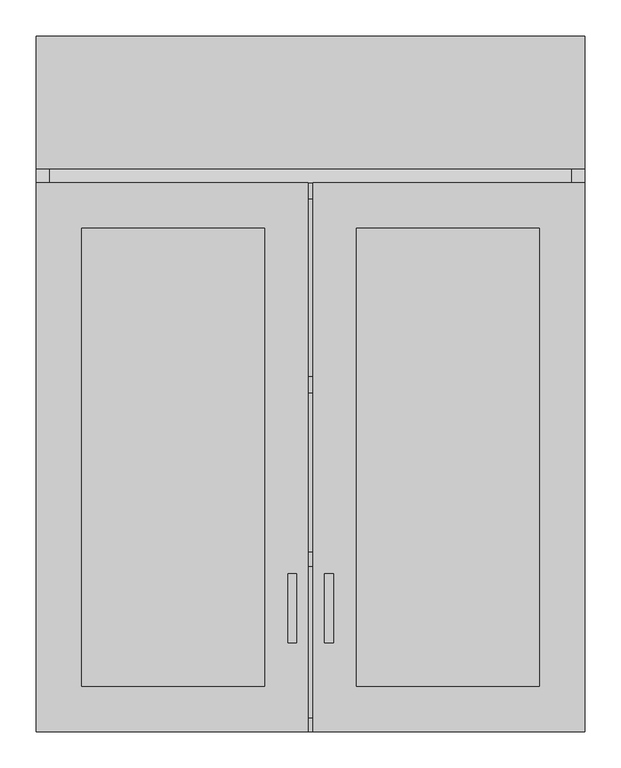
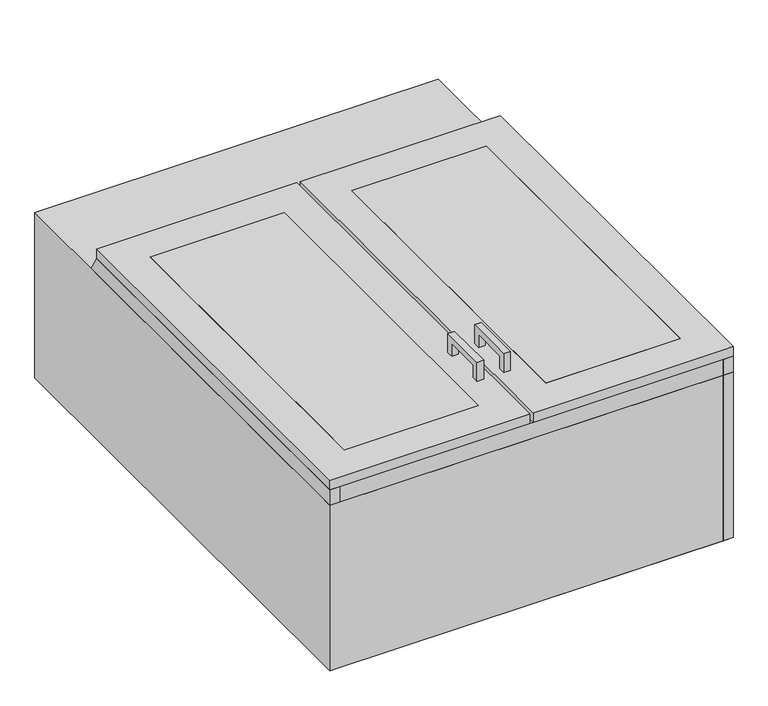
"""IFC4 building model written with IfcOpenShell, lengths in millimetres: proxy geometry."""

from ifc_helpers import new_model, si_unit, frame, origin, origin_with_axes, place, context, project, spatial, polyline, outline, extrude, source, transform, mapped, element, save


def specialty_equipment_0801251d(model_context):
    return source(origin(), model_context, "Body", "SweptSolid", [
        extrude(outline(polyline([(965.2, 19.05), (943.0563437, 19.05), (739.8563437, 361.95), (762.0, 361.95), (965.2, 19.05)])), frame((-361.95, 0.0, 0.0), z_axis=(1.0, 0.0, 0.0), x_axis=(0.0, 1.0, 0.0)), (0.0, 0.0, 1.0), 723.9),
        extrude(outline(polyline([(219.0655468, 419.0810937), (219.0655468, 381.0), (206.3958968, 381.0), (206.3958968, 406.4114436), (136.5230095, 406.4114436), (136.5230095, 381.0), (123.8533595, 381.0), (123.8533595, 419.0810937), (219.0655468, 419.0810937)])), frame((-31.4565288, 0.0, 0.0), z_axis=(1.0, 0.0, 0.0), x_axis=(0.0, 1.0, 0.0)), (0.0, 0.0, 1.0), 12.4023438),
        extrude(outline(polyline([(219.0655468, 419.0810937), (219.0655468, 381.0), (206.3958968, 381.0), (206.3958968, 406.4114436), (136.5230095, 406.4114436), (136.5230095, 381.0), (123.8533595, 381.0), (123.8533595, 419.0810937), (219.0655468, 419.0810937)])), frame((19.3476563, 0.0, 0.0), z_axis=(1.0, 0.0, 0.0), x_axis=(0.0, 1.0, 0.0)), (0.0, 0.0, 1.0), 12.4023438),
        extrude(outline(polyline([(381.0, 965.2), (381.0, 0.0), (-381.0, 0.0), (-381.0, 965.2), (381.0, 965.2)])), origin_with_axes(), (0.0, 0.0, 1.0), 330.2),
        extrude(outline(polyline([(317.5, 63.5), (63.5, 63.5), (63.5, 698.5), (317.5, 698.5), (317.5, 63.5)])), frame((0.0, 0.0, 374.65), z_axis=(0.0, 0.0, 1.0), x_axis=(1.0, 0.0, 0.0)), (0.0, 0.0, 1.0), 6.35),
        extrude(outline(polyline([(-63.5, 63.5), (-317.5, 63.5), (-317.5, 698.5), (-63.5, 698.5), (-63.5, 63.5)])), frame((0.0, 0.0, 374.65), z_axis=(0.0, 0.0, 1.0), x_axis=(1.0, 0.0, 0.0)), (0.0, 0.0, 1.0), 6.35),
        extrude(outline(polyline([(381.0, 0.0), (3.175, 0.0), (3.175, 762.0), (381.0, 762.0), (381.0, 0.0)]), holes=[polyline([(317.5, 63.5), (317.5, 698.5), (63.5, 698.5), (63.5, 63.5), (317.5, 63.5)])]), frame((0.0, 0.0, 361.95), z_axis=(0.0, 0.0, 1.0), x_axis=(1.0, 0.0, 0.0)), (0.0, 0.0, 1.0), 19.05),
        extrude(outline(polyline([(361.95, 470.4491105), (-361.95, 470.4491105), (-361.95, 492.3899118), (361.95, 492.3899118), (361.95, 470.4491105)])), frame((0.0, 0.0, 19.05), z_axis=(0.0, 0.0, 1.0), x_axis=(1.0, 0.0, 0.0)), (0.0, 0.0, 1.0), 342.9),
        extrude(outline(polyline([(361.95, 229.9011198), (-361.95, 229.9011198), (-361.95, 249.0078655), (361.95, 249.0078655), (361.95, 229.9011198)])), frame((0.0, 0.0, 19.05), z_axis=(0.0, 0.0, 1.0), x_axis=(1.0, 0.0, 0.0)), (0.0, 0.0, 1.0), 342.9),
        extrude(outline(polyline([(-3.175, 0.0), (-381.0, 0.0), (-381.0, 762.0), (-3.175, 762.0), (-3.175, 0.0)]), holes=[polyline([(-63.5, 63.5), (-63.5, 698.5), (-317.5, 698.5), (-317.5, 63.5), (-63.5, 63.5)])]), frame((0.0, 0.0, 361.95), z_axis=(0.0, 0.0, 1.0), x_axis=(1.0, 0.0, 0.0)), (0.0, 0.0, 1.0), 19.05),
        extrude(outline(polyline([(361.95, 965.2), (361.95, 19.05), (-361.95, 19.05), (-361.95, 965.2), (361.95, 965.2)])), origin_with_axes(), (0.0, 0.0, 1.0), 19.05),
        extrude(outline(polyline([(762.0, 0.0), (0.0, 0.0), (0.0, 361.95), (762.0, 361.95), (965.2, 19.05), (965.2, 0.0), (762.0, 0.0)])), frame((361.95, 0.0, 0.0), z_axis=(1.0, 0.0, 0.0), x_axis=(0.0, 1.0, 0.0)), (0.0, 0.0, 1.0), 19.05),
        extrude(outline(polyline([(965.2, 0.0), (0.0, 0.0), (0.0, 361.95), (762.0, 361.95), (965.2, 19.05), (965.2, 0.0)])), frame((-381.0, 0.0, 0.0), z_axis=(1.0, 0.0, 0.0), x_axis=(0.0, 1.0, 0.0)), (0.0, 0.0, 1.0), 19.05),
        extrude(outline(polyline([(-361.95, 19.05), (361.95, 19.05), (361.95, 0.0), (-361.95, 0.0), (-361.95, 19.05)])), origin_with_axes(), (0.0, 0.0, 1.0), 361.95),
    ])


if __name__ == "__main__":
    model = new_model("IFC4")
    model_context = context("Model", 3, world=origin())
    ifc_project = project(units=[si_unit("LENGTHUNIT", "METRE", prefix="MILLI")], contexts=[model_context])
    site = spatial("IfcSite", under=ifc_project)
    building = spatial("IfcBuilding", under=site)
    placement = place(None, origin())
    specialty_equipment_shape = specialty_equipment_0801251d(model_context)
    element("IfcBuildingElementProxy", 1, Name="Specialty Equipment", at=placement, inside=building, context=model_context, shape_type="MappedRepresentation", body=[
        mapped(specialty_equipment_shape, transform((0.0, 0.0, 0.0), x_axis=(1.0, 0.0, 0.0), y_axis=(0.0, 1.0, 0.0), z_axis=(0.0, 0.0, 1.0))),
    ])
    save(model, "model.ifc")
